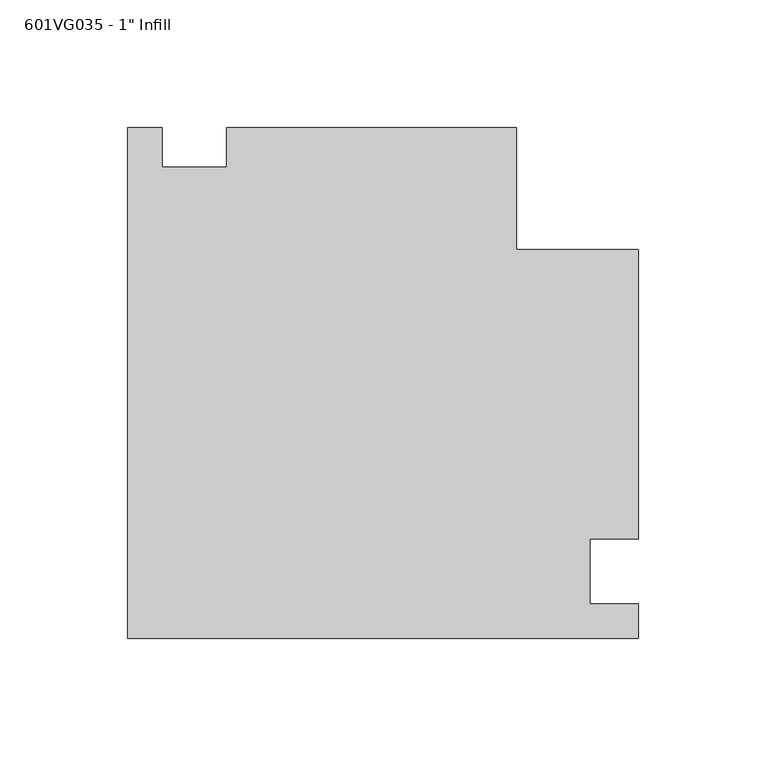
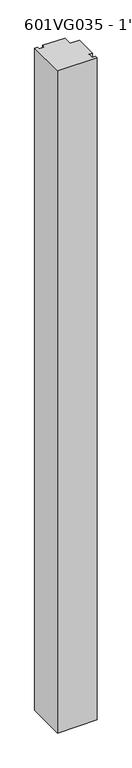
"""IFC4 building model written with IfcOpenShell, lengths in millimetres: proxy geometry."""

from ifc_helpers import new_model, si_unit, frame, origin, place, context, project, spatial, polyline, outline, extrude, source, transform, mapped, element, save


def proxy_123818f0(model_context):
    return source(origin(), model_context, "Body", "SweptSolid", [
        extrude(outline(polyline([(-26.19375, 173.98365), (-12.7, 173.98365), (-12.7, 158.5163788), (12.7, 158.5163788), (12.7, 173.98365), (126.20625, 173.98365), (126.20625, 126.20625), (173.983587, 126.20625), (173.983587, 12.7), (154.933587, 12.7), (154.933587, -12.7), (173.983587, -12.7), (173.983587, -26.19375), (-26.19375, -26.19375), (-26.19375, 173.98365)])), frame((0.0, 0.0, 50.8), z_axis=(0.0, 0.0, 1.0), x_axis=(1.0, 0.0, 0.0)), (0.0, 0.0, 1.0), 3543.3),
    ])


if __name__ == "__main__":
    model = new_model("IFC4")
    model_context = context("Model", 3, world=origin())
    ifc_project = project(units=[si_unit("LENGTHUNIT", "METRE", prefix="MILLI")], contexts=[model_context])
    site = spatial("IfcSite", under=ifc_project)
    building = spatial("IfcBuilding", under=site)
    placement = place(None, origin())
    proxy_shape = proxy_123818f0(model_context)
    element("IfcBuildingElementProxy", 1, Name="601VG035 - 1\" Infill", ObjectType="601VG035 - 1\" Infill", at=placement, inside=building, context=model_context, shape_type="MappedRepresentation", body=[
        mapped(proxy_shape, transform((0.0, 0.0, 0.0), x_axis=(1.0, 0.0, 0.0), y_axis=(0.0, 1.0, 0.0), z_axis=(0.0, 0.0, 1.0))),
    ])
    save(model, "model.ifc")
